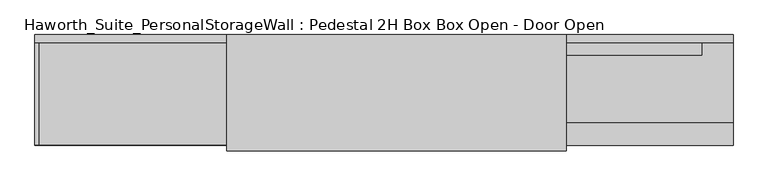
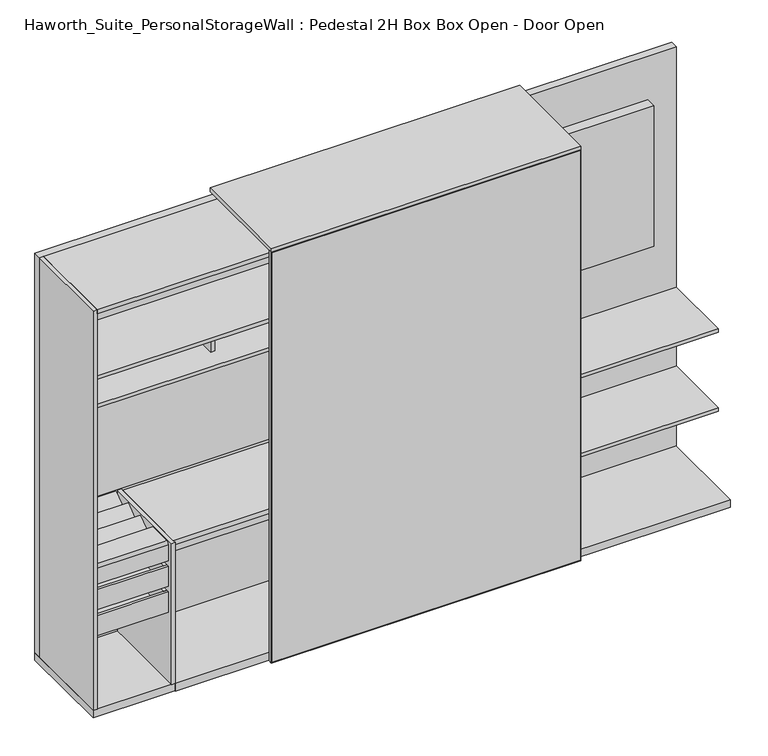
"""IFC4 building model written with IfcOpenShell, lengths in millimetres: furniture geometry, Haworth_Suite_PersonalStorageWall : Pedestal 2H Box Box Open - Door Open."""

from ifc_helpers import new_model, si_unit, point, frame, frame_2d, origin, origin_with_axes, place, context, project, spatial, polyline, circle_curve, trimmed, segment, composite_curve, outline, extrude, source, transform, mapped, element, save


def haworth_suite_personalstoragewall_pedestal_2h_box_box_open_616bc557(model_context):
    return source(origin(), model_context, "Body", "SweptSolid", [
        extrude(outline(polyline([(1070.371875, -202.4059418), (-199.628125, -202.4059418), (-199.628125, -151.6059418), (1070.371875, -151.6059418), (1070.371875, -202.4059418)])), frame((0.0, 0.0, 1127.125), z_axis=(0.0, 0.0, 1.0), x_axis=(1.0, 0.0, 0.0)), (0.0, 0.0, 1.0), 711.2),
        extrude(outline(polyline([(2077.24375, -1003.3), (0.0, -1003.3), (1.5875, -1001.7125), (2075.65625, -1001.7125), (2077.24375, -1003.3)])), frame((0.0, -622.3, 0.0), z_axis=(0.0, 1.0, 0.0), x_axis=(0.0, 0.0, 1.0)), (0.0, 0.0, 1.0), 19.05),
        extrude(outline(polyline([(2077.24375, 477.8375), (2075.65625, 476.25), (1.5875, 476.25), (0.0, 477.8375), (2077.24375, 477.8375)])), frame((0.0, -622.3, 0.0), z_axis=(0.0, 1.0, 0.0), x_axis=(0.0, 0.0, 1.0)), (0.0, 0.0, 1.0), 19.05),
        extrude(outline(polyline([(2075.65625, -1001.7125), (2075.65625, 476.25), (2077.24375, 477.8375), (2077.24375, -1003.3), (2075.65625, -1001.7125)])), frame((0.0, -622.3, 0.0), z_axis=(0.0, 1.0, 0.0), x_axis=(0.0, 0.0, 1.0)), (0.0, 0.0, 1.0), 19.05),
        extrude(outline(polyline([(1.5875, -1001.7125), (0.0, -1003.3), (0.0, 477.8375), (1.5875, 476.25), (1.5875, -1001.7125)])), frame((0.0, -622.3, 0.0), z_axis=(0.0, 1.0, 0.0), x_axis=(0.0, 0.0, 1.0)), (0.0, 0.0, 1.0), 19.05),
        extrude(outline(polyline([(476.25, -604.04375), (476.25, -621.50625), (-1001.7125, -621.50625), (-1001.7125, -604.04375), (476.25, -604.04375)])), frame((0.0, 0.0, 1.5875), z_axis=(0.0, 0.0, 1.0), x_axis=(1.0, 0.0, 0.0)), (0.0, 0.0, 1.0), 2074.06875),
        extrude(outline(polyline([(-1485.9, -567.5309387), (-1485.9, -186.5309387), (-1473.2, -186.5309387), (-1473.2, -567.5309387), (-1485.9, -567.5309387)])), frame((0.0, 0.0, 527.05), z_axis=(0.0, 0.0, 1.0), x_axis=(1.0, 0.0, 0.0)), (0.0, 0.0, 1.0), 101.6),
        extrude(outline(polyline([(-1822.45, -186.5309387), (-1809.75, -186.5309387), (-1809.75, -567.5309387), (-1822.45, -567.5309387), (-1822.45, -186.5309387)])), frame((0.0, 0.0, 527.05), z_axis=(0.0, 0.0, 1.0), x_axis=(1.0, 0.0, 0.0)), (0.0, 0.0, 1.0), 101.6),
        extrude(outline(polyline([(-1822.45, -186.5309387), (-1822.45, -173.8309387), (-1473.2, -173.8309387), (-1473.2, -186.5309387), (-1822.45, -186.5309387)])), frame((0.0, 0.0, 527.05), z_axis=(0.0, 0.0, 1.0), x_axis=(1.0, 0.0, 0.0)), (0.0, 0.0, 1.0), 101.6),
        extrude(outline(polyline([(-1822.45, -580.2309387), (-1822.45, -567.5309387), (-1473.2, -567.5309387), (-1473.2, -580.2309387), (-1822.45, -580.2309387)])), frame((0.0, 0.0, 527.05), z_axis=(0.0, 0.0, 1.0), x_axis=(1.0, 0.0, 0.0)), (0.0, 0.0, 1.0), 101.6),
        extrude(outline(polyline([(-1809.75, -567.5309387), (-1809.75, -186.5309387), (-1485.9, -186.5309387), (-1485.9, -567.5309387), (-1809.75, -567.5309387)])), frame((0.0, 0.0, 527.05), z_axis=(0.0, 0.0, 1.0), x_axis=(1.0, 0.0, 0.0)), (0.0, 0.0, 1.0), 12.7),
        extrude(outline(polyline([(-148.4309387, 749.3), (-147.2970101, 748.1660714), (-248.8970101, 671.9660714), (-250.0309387, 673.1), (-148.4309387, 749.3)])), frame((-1822.45, 0.0, 0.0), z_axis=(1.0, 0.0, 0.0), x_axis=(0.0, 1.0, 0.0)), (0.0, 0.0, 1.0), 349.25),
        extrude(outline(polyline([(-351.6309387, 749.3), (-350.4970101, 748.1660714), (-452.0970101, 671.9660714), (-453.2309387, 673.1), (-351.6309387, 749.3)])), frame((-1822.45, 0.0, 0.0), z_axis=(1.0, 0.0, 0.0), x_axis=(0.0, 1.0, 0.0)), (0.0, 0.0, 1.0), 349.25),
        extrude(outline(polyline([(0.0, -127.0), (0.0, 0.0), (349.25, 0.0), (349.25, -127.0), (0.0, -127.0)])), frame((-1822.45, -249.0784387, 748.03), z_axis=(0.0, -0.5999999999999731, 0.8000000000000203), x_axis=(1.0, 0.0, 0.0)), (0.0, 0.0, 1.0), 1.5875),
        extrude(outline(polyline([(-1822.45, -578.6434387), (-1822.45, -148.4309387), (-1473.2, -148.4309387), (-1473.2, -578.6434387), (-1822.45, -578.6434387)])), frame((0.0, 0.0, 657.225), z_axis=(0.0, 0.0, 1.0), x_axis=(1.0, 0.0, 0.0)), (0.0, 0.0, 1.0), 15.875),
        extrude(outline(composite_curve([segment(trimmed(circle_curve(frame_2d((-567.5309387, 738.1875)), 12.7), [point((-580.2309387, 738.1875))], [point((-567.5309387, 750.8875))], False, "CARTESIAN"), True, "CONTINUOUS"), segment(polyline([(-567.5309387, 750.8875), (-453.2309387, 750.8875), (-453.2309387, 749.3), (-567.5309387, 749.3)]), True, "CONTINUOUS"), segment(trimmed(circle_curve(frame_2d((-567.5309387, 738.1875)), 11.1125), [point((-567.5309387, 749.3))], [point((-578.6434387, 738.1875))], True, "CARTESIAN"), True, "CONTINUOUS"), segment(polyline([(-578.6434387, 738.1875), (-578.6434387, 657.225), (-580.2309387, 657.225), (-580.2309387, 738.1875)]), True, "CONTINUOUS")], self_intersect=False)), frame((-1822.45, 0.0, 0.0), z_axis=(1.0, 0.0, 0.0), x_axis=(0.0, 1.0, 0.0)), (0.0, 0.0, 1.0), 349.25),
        extrude(outline(polyline([(-304.4825, 720.725), (-304.4825, 479.425), (-153.9875, 479.425), (-153.9875, 504.825), (-152.4, 504.825), (-152.4, 477.8375), (-306.07, 477.8375), (-306.07, 719.1375), (-329.8825, 719.1375), (-329.8825, 720.725), (-304.4825, 720.725)])), frame((-1449.3875, 0.0, 0.0), z_axis=(1.0, 0.0, 0.0), x_axis=(0.0, 1.0, 0.0)), (0.0, 0.0, 1.0), 952.5),
        extrude(outline(polyline([(-598.4875, 0.0), (-598.4875, 39.6875), (-152.4, 39.6875), (-152.4, 38.1), (-596.9, 38.1), (-596.9, 0.0), (-598.4875, 0.0)])), frame((-1449.3875, 0.0, 0.0), z_axis=(1.0, 0.0, 0.0), x_axis=(0.0, 1.0, 0.0)), (0.0, 0.0, 1.0), 952.5),
        extrude(outline(composite_curve([segment(trimmed(circle_curve(frame_2d((-582.6125, 738.1875)), 12.7), [point((-595.3125, 738.1875))], [point((-582.6125, 750.8875))], False, "CARTESIAN"), True, "CONTINUOUS"), segment(polyline([(-582.6125, 750.8875), (-163.5125, 750.8875), (-163.5125, 749.3), (-582.6125, 749.3)]), True, "CONTINUOUS"), segment(trimmed(circle_curve(frame_2d((-582.6125, 738.1875)), 11.1125), [point((-582.6125, 749.3))], [point((-593.725, 738.1875))], True, "CARTESIAN"), True, "CONTINUOUS"), segment(polyline([(-593.725, 738.1875), (-593.725, 708.025), (-595.3125, 708.025), (-595.3125, 738.1875)]), True, "CONTINUOUS")], self_intersect=False)), frame((-1449.3875, 0.0, 0.0), z_axis=(1.0, 0.0, 0.0), x_axis=(0.0, 1.0, 0.0)), (0.0, 0.0, 1.0), 952.5),
        extrude(outline(polyline([(-1485.9, -567.5309387), (-1485.9, -186.5309387), (-1473.2, -186.5309387), (-1473.2, -567.5309387), (-1485.9, -567.5309387)])), frame((0.0, 0.0, 396.875), z_axis=(0.0, 0.0, 1.0), x_axis=(1.0, 0.0, 0.0)), (0.0, 0.0, 1.0), 101.6),
        extrude(outline(polyline([(-1822.45, -186.5309387), (-1809.75, -186.5309387), (-1809.75, -567.5309387), (-1822.45, -567.5309387), (-1822.45, -186.5309387)])), frame((0.0, 0.0, 396.875), z_axis=(0.0, 0.0, 1.0), x_axis=(1.0, 0.0, 0.0)), (0.0, 0.0, 1.0), 101.6),
        extrude(outline(polyline([(-1822.45, -186.5309387), (-1822.45, -173.8309387), (-1473.2, -173.8309387), (-1473.2, -186.5309387), (-1822.45, -186.5309387)])), frame((0.0, 0.0, 396.875), z_axis=(0.0, 0.0, 1.0), x_axis=(1.0, 0.0, 0.0)), (0.0, 0.0, 1.0), 101.6),
        extrude(outline(polyline([(-1822.45, -580.2309387), (-1822.45, -567.5309387), (-1473.2, -567.5309387), (-1473.2, -580.2309387), (-1822.45, -580.2309387)])), frame((0.0, 0.0, 396.875), z_axis=(0.0, 0.0, 1.0), x_axis=(1.0, 0.0, 0.0)), (0.0, 0.0, 1.0), 101.6),
        extrude(outline(polyline([(-1809.75, -567.5309387), (-1809.75, -186.5309387), (-1485.9, -186.5309387), (-1485.9, -567.5309387), (-1809.75, -567.5309387)])), frame((0.0, 0.0, 396.875), z_axis=(0.0, 0.0, 1.0), x_axis=(1.0, 0.0, 0.0)), (0.0, 0.0, 1.0), 12.7),
        extrude(outline(polyline([(2058.19375, 1206.5), (2058.19375, -1841.5), (38.1, -1841.5), (38.1, 1206.5), (2058.19375, 1206.5)]), holes=[polyline([(161.0999959, -1771.6000015), (567.4999898, -1771.6000015), (567.4999898, -1568.3999909), (161.0999959, -1568.3999909), (161.0999959, -1771.6000015)]), polyline([(504.000014, -1238.2500121), (504.000014, -1435.0999879), (643.7000261, -1435.0999879), (643.7000261, -1238.2500121), (504.000014, -1238.2500121)])]), frame((0.0, -149.5975372, 0.0), z_axis=(0.0, 1.0, 0.0), x_axis=(0.0, 0.0, 1.0)), (0.0, 0.0, 1.0), 35.2975372),
        extrude(outline(polyline([(-327.025, -149.5975372), (-327.025, -596.9), (-1822.45, -596.9), (-1822.45, -149.5975372), (-327.025, -149.5975372)])), frame((0.0, 0.0, 2039.14375), z_axis=(0.0, 0.0, 1.0), x_axis=(1.0, 0.0, 0.0)), (0.0, 0.0, 1.0), 19.05),
        extrude(outline(polyline([(-307.2032339, -596.9), (-326.2532339, -596.9), (-326.2532339, -149.5975372), (-307.2032339, -149.5975372), (-307.2032339, -596.9)])), frame((0.0, 0.0, 38.1), z_axis=(0.0, 0.0, 1.0), x_axis=(1.0, 0.0, 0.0)), (0.0, 0.0, 1.0), 2020.09375),
        extrude(outline(polyline([(-326.2532339, -149.5975372), (-326.2532339, -498.475), (-477.8375, -498.475), (-477.8375, -149.5975372), (-326.2532339, -149.5975372)])), frame((0.0, 0.0, 1627.1875), z_axis=(0.0, 0.0, 1.0), x_axis=(1.0, 0.0, 0.0)), (0.0, 0.0, 1.0), 18.2561531),
        extrude(outline(polyline([(-1822.45, -596.9), (-1841.5, -596.9), (-1841.5, -149.5975372), (-1822.45, -149.5975372), (-1822.45, -596.9)])), frame((0.0, 0.0, 38.1), z_axis=(0.0, 0.0, 1.0), x_axis=(1.0, 0.0, 0.0)), (0.0, 0.0, 1.0), 2020.09375),
        extrude(outline(polyline([(-496.8875, -149.5975372), (-496.8875, -163.5125), (-1809.75, -163.5125), (-1809.75, -149.5975372), (-496.8875, -149.5975372)])), frame((0.0, 0.0, 764.4777447), z_axis=(0.0, 0.0, 1.0), x_axis=(1.0, 0.0, 0.0)), (0.0, 0.0, 1.0), 701.1622827),
        extrude(outline(polyline([(-1150.9375754, -149.5975372), (-1150.9375754, -407.1569331), (-1169.1937286, -407.1569331), (-1169.1937286, -149.5975372), (-1150.9375754, -149.5975372)])), frame((0.0, 0.0, 1500.1875484), z_axis=(0.0, 0.0, 1.0), x_axis=(1.0, 0.0, 0.0)), (0.0, 0.0, 1.0), 126.9999516),
        extrude(outline(polyline([(-496.8875, -149.5975372), (-496.8875, -498.475), (-1822.45, -498.475), (-1822.45, -149.5975372), (-496.8875, -149.5975372)])), frame((0.0, 0.0, 1481.93125), z_axis=(0.0, 0.0, 1.0), x_axis=(1.0, 0.0, 0.0)), (0.0, 0.0, 1.0), 18.2562984),
        extrude(outline(polyline([(-496.8875, -149.5975372), (-496.8875, -498.475), (-1822.45, -498.475), (-1822.45, -149.5975372), (-496.8875, -149.5975372)])), frame((0.0, 0.0, 1627.1875), z_axis=(0.0, 0.0, 1.0), x_axis=(1.0, 0.0, 0.0)), (0.0, 0.0, 1.0), 18.2561531),
        extrude(outline(polyline([(1206.5, -149.5975372), (1206.5, -498.475), (-307.2032339, -498.475), (-307.2032339, -149.5975372), (1206.5, -149.5975372)])), frame((0.0, 0.0, 823.6154732), z_axis=(0.0, 0.0, 1.0), x_axis=(1.0, 0.0, 0.0)), (0.0, 0.0, 1.0), 18.25625),
        extrude(outline(polyline([(1206.5, -149.5975372), (1206.5, -498.475), (-307.2032339, -498.475), (-307.2032339, -149.5975372), (1206.5, -149.5975372)])), frame((0.0, 0.0, 424.3592232), z_axis=(0.0, 0.0, 1.0), x_axis=(1.0, 0.0, 0.0)), (0.0, 0.0, 1.0), 18.25625),
        extrude(outline(polyline([(477.8375, -114.3), (477.8375, -622.3), (-1003.3, -622.3), (-1003.3, -114.3), (477.8375, -114.3)])), frame((0.0, 0.0, 2077.24375), z_axis=(0.0, 0.0, 1.0), x_axis=(1.0, 0.0, 0.0)), (0.0, 0.0, 1.0), 19.05),
        extrude(outline(polyline([(-1447.7995299, -596.9), (-1466.8495299, -596.9), (-1466.8495299, -149.5975372), (-1447.7995299, -149.5975372), (-1447.7995299, -596.9)])), frame((0.0, 0.0, 38.1), z_axis=(0.0, 0.0, 1.0), x_axis=(1.0, 0.0, 0.0)), (0.0, 0.0, 1.0), 712.7875),
        extrude(outline(polyline([(1206.5, -114.3), (1206.5, -596.9), (-1841.5, -596.9), (-1841.5, -114.3), (1206.5, -114.3)])), origin_with_axes(), (0.0, 0.0, 1.0), 38.1),
        extrude(outline(polyline([(-477.8375, -596.9), (-496.8875, -596.9), (-496.8875, -149.5975372), (-477.8375, -149.5975372), (-477.8375, -596.9)])), frame((0.0, 0.0, 38.1), z_axis=(0.0, 0.0, 1.0), x_axis=(1.0, 0.0, 0.0)), (0.0, 0.0, 1.0), 2001.04375),
    ])


if __name__ == "__main__":
    model = new_model("IFC4")
    model_context = context("Model", 3, world=origin())
    ifc_project = project(units=[si_unit("LENGTHUNIT", "METRE", prefix="MILLI")], contexts=[model_context])
    site = spatial("IfcSite", under=ifc_project)
    building = spatial("IfcBuilding", under=site)
    placement = place(None, origin())
    haworth_suite_personalstoragewall_pedestal_2h_box_box_open_shape = haworth_suite_personalstoragewall_pedestal_2h_box_box_open_616bc557(model_context)
    element("IfcFurniture", 1, ObjectType="Haworth_Suite_PersonalStorageWall : Pedestal 2H Box Box Open - Door Open", at=placement, inside=building, context=model_context, shape_type="MappedRepresentation", body=[
        mapped(haworth_suite_personalstoragewall_pedestal_2h_box_box_open_shape, transform((0.0, 0.0, 0.0), x_axis=(1.0, 0.0, 0.0), y_axis=(0.0, 1.0, 0.0), z_axis=(0.0, 0.0, 1.0))),
    ])
    save(model, "model.ifc")
